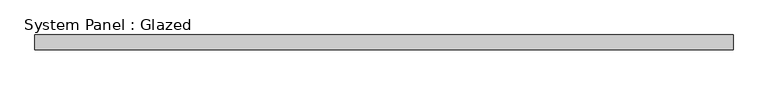
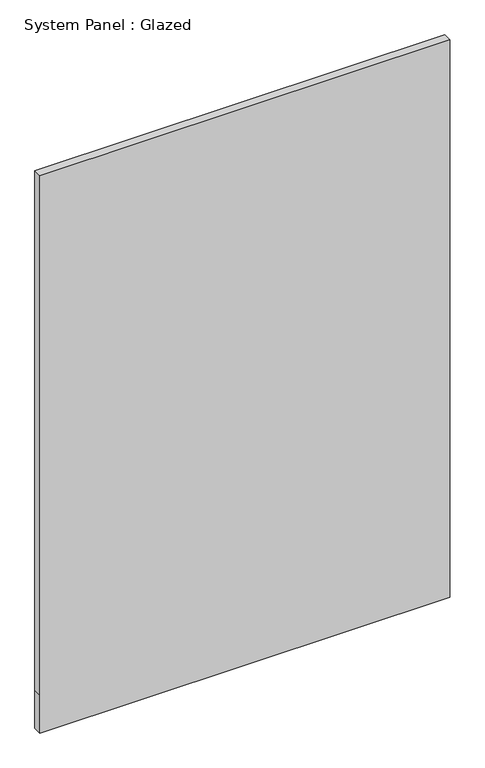
"""IFC4 building model written with IfcOpenShell, lengths in millimetres: plate geometry, System Panel : Glazed."""

from ifc_helpers import new_model, si_unit, frame, origin, place, context, project, spatial, polyline, outline, extrude, source, transform, mapped, element, save


def system_panel_glazed_1332f29f(model_context):
    return source(origin(), model_context, "Body", "SweptSolid", [
        extrude(outline(polyline([(0.0, -587.5), (0.0, 587.5), (115.0, 587.5), (1690.0, 587.5), (1690.0, -587.5), (115.0, -587.5), (0.0, -587.5)])), frame((0.0, 24.5, 0.0), z_axis=(0.0, 1.0, 0.0), x_axis=(0.0, 0.0, 1.0)), (0.0, 0.0, 1.0), 25.0),
    ])


if __name__ == "__main__":
    model = new_model("IFC4")
    model_context = context("Model", 3, world=origin())
    ifc_project = project(units=[si_unit("LENGTHUNIT", "METRE", prefix="MILLI")], contexts=[model_context])
    site = spatial("IfcSite", under=ifc_project)
    building = spatial("IfcBuilding", under=site)
    placement = place(None, origin())
    system_panel_glazed_shape = system_panel_glazed_1332f29f(model_context)
    element("IfcPlate", 1, ObjectType="System Panel : Glazed", at=placement, inside=building, context=model_context, shape_type="MappedRepresentation", body=[
        mapped(system_panel_glazed_shape, transform((0.0, 0.0, 0.0), x_axis=(1.0, 0.0, 0.0), y_axis=(0.0, 1.0, 0.0), z_axis=(0.0, 0.0, 1.0))),
    ])
    save(model, "model.ifc")
